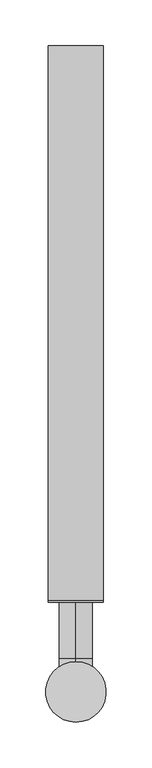
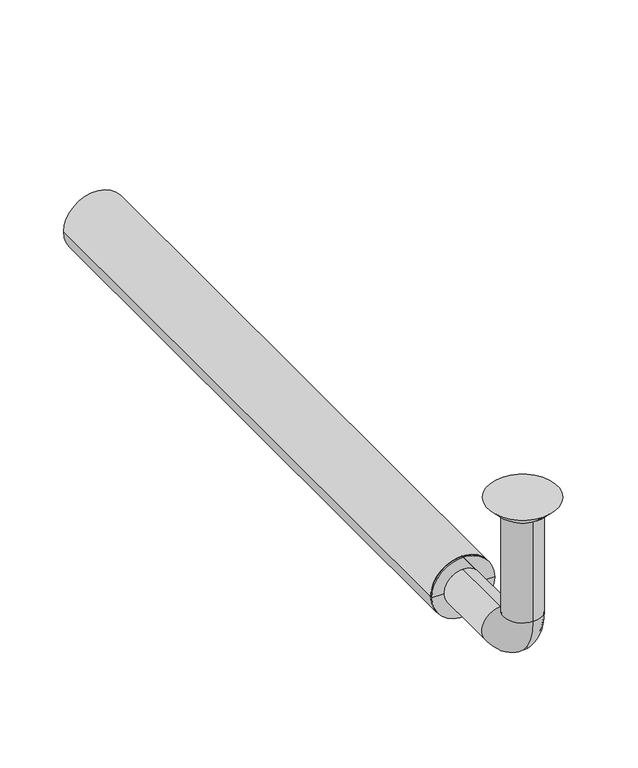
"""IFC4 building model written with IfcOpenShell, lengths in millimetres: beam geometry."""

import ifcopenshell
import ifcopenshell.guid

model = None  # the IFC model being written
_history = None  # IfcOwnerHistory: only IFC2X3 demands one
_inside = {}  # id of a spatial element -> (the spatial element, [elements in it])
_under = {}  # id of a project, library or spatial element -> (it, [spatial elements below it])
_declared = {}  # id of a project -> (the project, [libraries it declares])
_typed = {}  # id of a type object -> (the type object, [elements of that type])
_made_of = {}  # id of a material, layer set ... -> (it, [elements and type objects made of it])


def new_model(schema):
    """Start an empty IFC model of exactly this schema.

    Asked for "IFC4X3", IfcOpenShell would pick the latest addendum, in which some entities
    have other attributes; the version numbers below select the first issue.
    IFC2X3 requires an IfcOwnerHistory on every rooted entity: one is made here for all.
    """
    global model, _history
    if schema == "IFC4X3":
        model = ifcopenshell.file(schema_version=(4, 3, 0, 0))
    else:
        model = ifcopenshell.file(schema=schema)
    _inside.clear()
    _under.clear()
    _declared.clear()
    _typed.clear()
    _made_of.clear()
    _history = None
    if model.schema == "IFC2X3":
        org = make("IfcOrganization", Name="unknown")
        user = make(
            "IfcPersonAndOrganization",
            ThePerson=make("IfcPerson", FamilyName="unknown"),
            TheOrganization=org,
        )
        app = make(
            "IfcApplication",
            ApplicationDeveloper=org,
            Version="unknown",
            ApplicationFullName="unknown",
            ApplicationIdentifier="unknown",
        )
        _history = make(
            "IfcOwnerHistory",
            OwningUser=user,
            OwningApplication=app,
            ChangeAction="ADDED",
            CreationDate=0,
        )
    return model


def make(cls, **values):
    """One entity of the class cls with the attributes given. An attribute that is None is left unset."""
    return model.create_entity(
        cls, **{name: value for name, value in values.items() if value is not None}
    )


def rooted(cls, **values):
    """An entity with a GlobalId (a new one), such as an element, a storey or a relation."""
    return make(cls, GlobalId=ifcopenshell.guid.new(), OwnerHistory=_history, **values)


def si_unit(unit_type, name, prefix=None):
    """IfcSIUnit, for example si_unit("LENGTHUNIT", "METRE", prefix="MILLI")."""
    return make("IfcSIUnit", UnitType=unit_type, Prefix=prefix, Name=name)


def assignment(units):
    """IfcUnitAssignment: the units of a project."""
    return None if units is None else make("IfcUnitAssignment", Units=units)


def point(xyz):
    """IfcCartesianPoint."""
    return None if xyz is None else make("IfcCartesianPoint", Coordinates=xyz)


def direction(xyz):
    """IfcDirection."""
    return None if xyz is None else make("IfcDirection", DirectionRatios=xyz)


def frame(location, z_axis=None, x_axis=None):
    """IfcAxis2Placement3D, a coordinate frame: its origin and axes. An axis left out is left unset."""
    return make(
        "IfcAxis2Placement3D",
        Location=point(location),
        Axis=direction(z_axis),
        RefDirection=direction(x_axis),
    )


def frame_2d(location, x_axis=None):
    """IfcAxis2Placement2D, a coordinate frame in the plane: its origin and x axis."""
    return make(
        "IfcAxis2Placement2D", Location=point(location), RefDirection=direction(x_axis)
    )


def origin():
    """The frame at (0, 0, 0) with its axes left unset."""
    return frame((0.0, 0.0, 0.0))


def place(relative_to, where):
    """IfcLocalPlacement: puts the frame where relative to a parent placement (None: the world)."""
    return make(
        "IfcLocalPlacement", PlacementRelTo=relative_to, RelativePlacement=where
    )


def context(
    kind, dimensions, precision=None, world=None, true_north=None, identifier=None
):
    """IfcGeometricRepresentationContext, for example the 3D "Model" context."""
    return make(
        "IfcGeometricRepresentationContext",
        ContextIdentifier=identifier,
        ContextType=kind,
        CoordinateSpaceDimension=dimensions,
        Precision=precision,
        WorldCoordinateSystem=world,
        TrueNorth=true_north,
    )


def project(units=None, contexts=None):
    """IfcProject with its units and contexts."""
    return rooted(
        "IfcProject",
        Name="project",
        RepresentationContexts=contexts,
        UnitsInContext=assignment(units),
    )


def spatial(cls, under=None, at=None, **own):
    """A site, building, storey or space (cls), placed at a placement, below another one or the project."""
    s = rooted(cls, ObjectPlacement=at, **own)
    if under is not None:
        _under.setdefault(under.id(), (under, []))[1].append(s)
    return s


def polyline(points):
    """IfcPolyline through the points."""
    return make("IfcPolyline", Points=[point(p) for p in points])


def circle_curve(where, radius):
    """IfcCircle in the frame where."""
    return make("IfcCircle", Position=where, Radius=radius)


def ellipse_curve(where, semi_axis1, semi_axis2):
    """IfcEllipse in the frame where."""
    return make(
        "IfcEllipse", Position=where, SemiAxis1=semi_axis1, SemiAxis2=semi_axis2
    )


def trimmed(basis, trim1, trim2, sense, master):
    """IfcTrimmedCurve: the piece of a basis curve between two trims."""
    return make(
        "IfcTrimmedCurve",
        BasisCurve=basis,
        Trim1=trim1,
        Trim2=trim2,
        SenseAgreement=sense,
        MasterRepresentation=master,
    )


def segment(curve, same_sense, transition):
    """IfcCompositeCurveSegment."""
    return make(
        "IfcCompositeCurveSegment",
        Transition=transition,
        SameSense=same_sense,
        ParentCurve=curve,
    )


def composite_curve(segments, self_intersect=None):
    """IfcCompositeCurve: segments joined end to end."""
    return make("IfcCompositeCurve", Segments=segments, SelfIntersect=self_intersect)


def outline(outer, holes=None, kind="AREA"):
    """IfcArbitraryClosedProfileDef: a profile drawn as a closed curve; with holes, ...WithVoids."""
    if holes is None:
        return make("IfcArbitraryClosedProfileDef", ProfileType=kind, OuterCurve=outer)
    return make(
        "IfcArbitraryProfileDefWithVoids",
        ProfileType=kind,
        OuterCurve=outer,
        InnerCurves=holes,
    )


def extrude(swept, where, along, depth):
    """IfcExtrudedAreaSolid: the profile swept, set in the frame where, extruded along a direction by depth."""
    return make(
        "IfcExtrudedAreaSolid",
        SweptArea=swept,
        Position=where,
        ExtrudedDirection=direction(along),
        Depth=depth,
    )


def shape(context_of_items, identifier, shape_type, items):
    """IfcShapeRepresentation: the items that make up one representation, for example the "Body"."""
    return make(
        "IfcShapeRepresentation",
        ContextOfItems=context_of_items,
        RepresentationIdentifier=identifier,
        RepresentationType=shape_type,
        Items=items,
    )


def source(mapping_origin, context_of_items, identifier, shape_type, items):
    """IfcRepresentationMap: a shape defined once, which mapped items show again and again."""
    return make(
        "IfcRepresentationMap",
        MappingOrigin=mapping_origin,
        MappedRepresentation=shape(context_of_items, identifier, shape_type, items),
    )


def transform(
    local_origin,
    x_axis=None,
    y_axis=None,
    z_axis=None,
    scale=None,
    scale2=None,
    scale3=None,
    uniform=True,
):
    """IfcCartesianTransformationOperator3D, or its non-uniform kind. x_axis, y_axis, z_axis: its Axis1, 2, 3."""
    if uniform:
        return make(
            "IfcCartesianTransformationOperator3D",
            Axis1=direction(x_axis),
            Axis2=direction(y_axis),
            LocalOrigin=point(local_origin),
            Scale=scale,
            Axis3=direction(z_axis),
        )
    return make(
        "IfcCartesianTransformationOperator3DnonUniform",
        Axis1=direction(x_axis),
        Axis2=direction(y_axis),
        LocalOrigin=point(local_origin),
        Scale=scale,
        Axis3=direction(z_axis),
        Scale2=scale2,
        Scale3=scale3,
    )


def mapped(mapping_source, mapping_target):
    """IfcMappedItem: shows the shape of a source again, moved by a transform."""
    return make(
        "IfcMappedItem", MappingSource=mapping_source, MappingTarget=mapping_target
    )


def made_of(thing, what):
    """Note that an element or type object is made of a material, layer set ...; save() writes the relation."""
    if what is not None:
        _made_of.setdefault(what.id(), (what, []))[1].append(thing)
    return thing


def element(
    cls,
    number,
    at=None,
    inside=None,
    cuts=None,
    type_object=None,
    material=None,
    context=None,
    identifier="Body",
    shape_type=None,
    held_by="IfcProductDefinitionShape",
    body=None,
    shapes=None,
    **own,
):
    """One element of the class cls, such as IfcWall. Its Tag is "e" and its number.

    at: its placement. inside: the storey or other place that contains it. cuts: it is an
    opening in that element (IfcRelVoidsElement). A single representation is given by context,
    identifier, shape_type and body (its items); several are given by shapes. held_by: the class
    of the entity that holds the representations. save() writes the other relations.
    """
    e = rooted(cls, Tag="e%d" % number, ObjectPlacement=at, **own)
    if body is not None:
        shapes = [shape(context, identifier, shape_type, body)]
    if shapes is not None:
        e.Representation = make(held_by, Representations=shapes)
    if inside is not None:
        _inside.setdefault(inside.id(), (inside, []))[1].append(e)
    if cuts is not None:
        rooted(
            "IfcRelVoidsElement", RelatingBuildingElement=cuts, RelatedOpeningElement=e
        )
    if type_object is not None:
        _typed.setdefault(type_object.id(), (type_object, []))[1].append(e)
    return made_of(e, material)


def aggregate(whole, parts):
    """IfcRelAggregates: a whole, such as a stair, and the parts it consists of."""
    return rooted("IfcRelAggregates", RelatingObject=whole, RelatedObjects=parts)


def save(model, path):
    """Write the relations noted so far, then the file.

    IfcRelAggregates (storeys below a building ...), IfcRelContainedInSpatialStructure (elements
    in a storey), IfcRelDefinesByType, IfcRelAssociatesMaterial and IfcRelDeclares: one each for
    every whole, place, type object, material and project.
    """
    for whole, parts in _under.values():
        aggregate(whole, parts)
    for where, things in _inside.values():
        rooted(
            "IfcRelContainedInSpatialStructure",
            RelatedElements=things,
            RelatingStructure=where,
        )
    for kind, things in _typed.values():
        rooted("IfcRelDefinesByType", RelatedObjects=things, RelatingType=kind)
    for what, things in _made_of.values():
        rooted("IfcRelAssociatesMaterial", RelatedObjects=things, RelatingMaterial=what)
    for by, libraries in _declared.values():
        rooted("IfcRelDeclares", RelatingContext=by, RelatedDefinitions=libraries)
    model.write(path)


def plane_surface(at):
    """IfcPlane: the flat surface through the origin of the frame at, square to its z axis."""
    return make("IfcPlane", Position=at)


def cylinder_surface(at, radius):
    """IfcCylindricalSurface: all points at the distance radius from the z axis of the frame at."""
    return make("IfcCylindricalSurface", Position=at, Radius=radius)


def revolved_surface(curve, axis_point, axis_direction):
    """IfcSurfaceOfRevolution: the curve turned about the line through axis_point along axis_direction."""
    return make(
        "IfcSurfaceOfRevolution",
        SweptCurve=make("IfcArbitraryOpenProfileDef", ProfileType="CURVE", Curve=curve),
        AxisPosition=make("IfcAxis1Placement", Location=point(axis_point), Axis=direction(axis_direction)),
    )


def advanced_brep(points, edges, surfaces, faces):
    """IfcAdvancedBrep: a solid bounded by faces that lie on surfaces and meet in shared edges.

    An edge is (start, end): straight between two places in points (the first is 0);
    or (start, end, curve); or (start, end, curve, False) where it runs against its curve.
    A face is (place in surfaces, loops), or (place, loops, False) where it looks against
    its surface's normal. A loop lists edges by number (the first is 1), with a minus sign
    where the edge is run from its end to its start. The first loop is the outer one.
    """
    corners = [point(p) for p in points]
    vertices = [make("IfcVertexPoint", VertexGeometry=c) for c in corners]
    made = []
    for start, end, *more in edges:
        made.append(
            make(
                "IfcEdgeCurve",
                EdgeStart=vertices[start],
                EdgeEnd=vertices[end],
                EdgeGeometry=more[0] if more else make("IfcPolyline", Points=[corners[start], corners[end]]),
                SameSense=more[1] if len(more) > 1 else True,
            )
        )
    hull = []
    for where, loops, *sense in faces:
        bounds = []
        for j, loop in enumerate(loops):
            ring = [make("IfcOrientedEdge", EdgeElement=made[abs(k) - 1], Orientation=k > 0) for k in loop]
            bounds.append(
                make(
                    "IfcFaceOuterBound" if j == 0 else "IfcFaceBound",
                    Bound=make("IfcEdgeLoop", EdgeList=ring),
                    Orientation=True,
                )
            )
        hull.append(make("IfcAdvancedFace", Bounds=bounds, FaceSurface=surfaces[where], SameSense=sense[0] if sense else True))
    return make("IfcAdvancedBrep", Outer=make("IfcClosedShell", CfsFaces=hull))


def beam_4edfb75c(model_context):
    return source(origin(), model_context, "Body", "SolidModel", [
        extrude(outline(composite_curve([segment(trimmed(circle_curve(frame_2d((-150.0, 0.0)), 30.0), [point((-150.0, 30.0))], [point((-150.0, -30.0))], False, "CARTESIAN"), True, "CONTINUOUS"), segment(trimmed(circle_curve(frame_2d((-150.0, 0.0)), 30.0), [point((-150.0, -30.0))], [point((-150.0, 30.0))], False, "CARTESIAN"), True, "CONTINUOUS")], self_intersect=False), holes=[composite_curve([segment(trimmed(circle_curve(frame_2d((-150.0, 0.0)), 27.0), [point((-150.0, 27.0))], [point((-150.0, -27.0))], True, "CARTESIAN"), True, "CONTINUOUS"), segment(trimmed(circle_curve(frame_2d((-150.0, 0.0)), 27.0), [point((-150.0, -27.0))], [point((-150.0, 27.0))], True, "CARTESIAN"), True, "CONTINUOUS")], self_intersect=False)]), frame((0.0, 100.0, 0.0), z_axis=(0.0, 1.0, 0.0), x_axis=(0.0, 0.0, 1.0)), (0.0, 0.0, 1.0), 605.0),
        advanced_brep(
        [(0.0, -18.0, -10.0), (0.0, 18.0, -10.0), (0.0, -17.0, -10.0), (0.0, 17.0, -10.0), (0.0, -18.0, -114.0), (0.0, 18.0, -114.0), (0.0, -17.0, -114.0), (0.0, 17.0, -114.0), (0.0, 36.0, -132.0), (0.0, 36.0, -168.0), (0.0, 36.0, -133.0), (0.0, 36.0, -167.0), (0.0, 123.0, -168.0), (0.0, 123.0, -132.0), (0.0, 123.0, -167.0), (0.0, 123.0, -133.0)],
        [
            (0, 1, circle_curve(frame((0.0, 0.0, -10.0), z_axis=(0.0, 0.0, 1.0), x_axis=(0.0, 1.0, 0.0)), 18.0)),
            (1, 0, circle_curve(frame((0.0, 0.0, -10.0), z_axis=(0.0, 0.0, 1.0), x_axis=(0.0, 1.0, 0.0)), 18.0)),
            (2, 3, circle_curve(frame((0.0, 0.0, -10.0), z_axis=(0.0, 0.0, -1.0), x_axis=(0.0, 1.0, 0.0)), 17.0)),
            (3, 2, circle_curve(frame((0.0, 0.0, -10.0), z_axis=(0.0, 0.0, -1.0), x_axis=(0.0, 1.0, 0.0)), 17.0)),
            (0, 4),
            (4, 5, circle_curve(frame((0.0, 0.0, -114.0), z_axis=(0.0, 0.0, 1.0), x_axis=(0.0, 1.0, 0.0)), 18.0)),
            (5, 1),
            (5, 4, circle_curve(frame((0.0, 0.0, -114.0), z_axis=(0.0, 0.0, 1.0), x_axis=(0.0, 1.0, 0.0)), 18.0)),
            (2, 6),
            (6, 7, circle_curve(frame((0.0, 0.0, -114.0), z_axis=(0.0, 0.0, -1.0), x_axis=(0.0, 1.0, 0.0)), 17.0)),
            (7, 3),
            (7, 6, circle_curve(frame((0.0, 0.0, -114.0), z_axis=(0.0, 0.0, -1.0), x_axis=(0.0, 1.0, 0.0)), 17.0)),
            (8, 5, circle_curve(frame((0.0, 36.0, -114.0), z_axis=(-1.0, 0.0, 0.0), x_axis=(0.0, -1.0, 0.0)), 18.0)),
            (4, 9, circle_curve(frame((0.0, 36.0, -114.0), z_axis=(1.0, 0.0, 0.0), x_axis=(0.0, -1.0, 0.0)), 54.0)),
            (9, 8, circle_curve(frame((0.0, 36.0, -150.0), z_axis=(0.0, -1.0, 0.0), x_axis=(0.0, 0.0, 1.0)), 18.0)),
            (8, 9, circle_curve(frame((0.0, 36.0, -150.0), z_axis=(0.0, -1.0, 0.0), x_axis=(0.0, 0.0, 1.0)), 18.0)),
            (10, 7, circle_curve(frame((0.0, 36.0, -114.0), z_axis=(-1.0, 0.0, 0.0), x_axis=(0.0, -1.0, 0.0)), 19.0)),
            (6, 11, circle_curve(frame((0.0, 36.0, -114.0), z_axis=(1.0, 0.0, 0.0), x_axis=(0.0, -1.0, 0.0)), 53.0)),
            (11, 10, circle_curve(frame((0.0, 36.0, -150.0), z_axis=(0.0, 1.0, 0.0), x_axis=(0.0, 0.0, 1.0)), 17.0)),
            (10, 11, circle_curve(frame((0.0, 36.0, -150.0), z_axis=(0.0, 1.0, 0.0), x_axis=(0.0, 0.0, 1.0)), 17.0)),
            (12, 13, circle_curve(frame((0.0, 123.0, -150.0), z_axis=(0.0, 1.0, 0.0), x_axis=(0.0, 0.0, 1.0)), 18.0)),
            (13, 12, circle_curve(frame((0.0, 123.0, -150.0), z_axis=(0.0, 1.0, 0.0), x_axis=(0.0, 0.0, 1.0)), 18.0)),
            (14, 15, circle_curve(frame((0.0, 123.0, -150.0), z_axis=(0.0, -1.0, 0.0), x_axis=(0.0, 0.0, 1.0)), 17.0)),
            (15, 14, circle_curve(frame((0.0, 123.0, -150.0), z_axis=(0.0, -1.0, 0.0), x_axis=(0.0, 0.0, 1.0)), 17.0)),
            (9, 12),
            (13, 8),
            (11, 14),
            (15, 10),
        ],
        [
            plane_surface(frame((0.0, 0.0, -10.0), z_axis=(0.0, 0.0, 1.0), x_axis=(1.0, 0.0, 0.0))),
            cylinder_surface(frame((0.0, 0.0, -10.0), z_axis=(0.0, 0.0, 1.0), x_axis=(0.0, 1.0, 0.0)), 18.0),
            revolved_surface(polyline([(0.0, 17.0, -114.0), (0.0, 17.0, -10.0)]), (0.0, 0.0, -10.0), (0.0, 0.0, -1.0)),
            revolved_surface(trimmed(ellipse_curve(frame((0.0, 0.0, -114.0), z_axis=(0.0, 0.0, 1.0), x_axis=(0.0, 1.0, 0.0)), 18.0, 18.0), [point((0.0, -18.0, -114.0))], [point((0.0, 18.0, -114.0))], True, "CARTESIAN"), (0.0, 36.0, -114.0), (1.0, 0.0, 0.0)),
            revolved_surface(trimmed(ellipse_curve(frame((0.0, 0.0, -114.0), z_axis=(0.0, 0.0, 1.0), x_axis=(0.0, 1.0, 0.0)), 18.0, 18.0), [point((0.0, 18.0, -114.0))], [point((0.0, -18.0, -114.0))], True, "CARTESIAN"), (0.0, 36.0, -114.0), (1.0, 0.0, 0.0)),
            revolved_surface(trimmed(ellipse_curve(frame((0.0, 0.0, -114.0), z_axis=(0.0, 0.0, -1.0), x_axis=(0.0, 1.0, 0.0)), 17.0, 17.0), [point((0.0, -17.0, -114.0))], [point((0.0, 17.0, -114.0))], True, "CARTESIAN"), (0.0, 36.0, -114.0), (1.0, 0.0, 0.0)),
            revolved_surface(trimmed(ellipse_curve(frame((0.0, 0.0, -114.0), z_axis=(0.0, 0.0, -1.0), x_axis=(0.0, 1.0, 0.0)), 17.0, 17.0), [point((0.0, 17.0, -114.0))], [point((0.0, -17.0, -114.0))], True, "CARTESIAN"), (0.0, 36.0, -114.0), (1.0, 0.0, 0.0)),
            plane_surface(frame((0.0, 123.0, -150.0), z_axis=(0.0, 1.0, 0.0), x_axis=(1.0, 0.0, 0.0))),
            cylinder_surface(frame((0.0, 36.0, -150.0), z_axis=(0.0, -1.0, 0.0), x_axis=(0.0, 0.0, 1.0)), 18.0),
            revolved_surface(polyline([(0.0, 123.0, -133.0), (0.0, 36.0, -133.0)]), (0.0, 36.0, -150.0), (0.0, 1.0, 0.0)),
        ],
        [
            (0, [[1, 2], [3, 4]]),
            (1, [[-1, 5, 6, 7]]),
            (1, [[-2, -7, 8, -5]]),
            (2, [[-3, 9, 10, 11]]),
            (2, [[-4, -11, 12, -9]]),
            (3, [[13, -6, 14, 15]]),
            (4, [[-14, -8, -13, 16]]),
            (5, [[17, -10, 18, 19]]),
            (6, [[-18, -12, -17, 20]]),
            (7, [[21, 22], [23, 24]]),
            (8, [[-15, 25, -22, 26]]),
            (8, [[-16, -26, -21, -25]]),
            (9, [[-19, 27, -24, 28]]),
            (9, [[-20, -28, -23, -27]]),
        ],
    ),
        advanced_brep(
        [(0.0, 23.0, -10.0), (0.0, -23.0, -10.0), (0.0, 33.0, 0.0), (0.0, -33.0, 0.0)],
        [
            (0, 1, circle_curve(frame((0.0, 0.0, -10.0), z_axis=(0.0, 0.0, -1.0), x_axis=(0.0, 1.0, 0.0)), 23.0)),
            (1, 0, circle_curve(frame((0.0, 0.0, -10.0), z_axis=(0.0, 0.0, -1.0), x_axis=(0.0, -1.0, 0.0)), 23.0)),
            (2, 3, circle_curve(frame((0.0, 0.0, 0.0), z_axis=(0.0, 0.0, 1.0), x_axis=(0.0, -1.0, 0.0)), 33.0)),
            (3, 2, circle_curve(frame((0.0, 0.0, 0.0), z_axis=(0.0, 0.0, 1.0), x_axis=(0.0, 1.0, 0.0)), 33.0)),
            (3, 1),
            (0, 2),
        ],
        [
            plane_surface(frame((0.0, 0.0, -10.0), z_axis=(0.0, 0.0, -1.0), x_axis=(-1.0, 0.0, 0.0))),
            plane_surface(frame((0.0, 0.0, 0.0), z_axis=(0.0, 0.0, 1.0), x_axis=(-1.0, 0.0, 0.0))),
            revolved_surface(polyline([(0.0, 23.0, -10.0), (0.0, 33.0, 0.0)]), (0.0, 0.0, -33.0), (0.0, 0.0, 1.0)),
            revolved_surface(polyline([(0.0, -23.0, -10.0), (0.0, -33.0, 0.0)]), (0.0, 0.0, -33.0), (0.0, 0.0, 1.0)),
        ],
        [
            (0, [[1, 2]]),
            (1, [[3, 4]]),
            (2, [[-4, 5, -1, 6]]),
            (3, [[-3, -6, -2, -5]]),
        ],
    ),
        advanced_brep(
        [(27.0, 100.0, -150.0), (-27.0, 100.0, -150.0), (-27.0, 123.0, -150.0), (27.0, 123.0, -150.0), (-18.0, 123.0, -150.0), (18.0, 123.0, -150.0), (-18.0, 98.0, -150.0), (18.0, 98.0, -150.0), (-30.0, 98.0, -150.0), (30.0, 98.0, -150.0), (-30.0, 100.0, -150.0), (30.0, 100.0, -150.0)],
        [
            (0, 1, circle_curve(frame((0.0, 100.0, -150.0), z_axis=(0.0, 1.0, 0.0), x_axis=(-1.0, 0.0, 0.0)), 27.0)),
            (1, 2),
            (2, 3, circle_curve(frame((0.0, 123.0, -150.0), z_axis=(0.0, -1.0, 0.0), x_axis=(-1.0, 0.0, 0.0)), 27.0)),
            (3, 0),
            (1, 0, circle_curve(frame((0.0, 100.0, -150.0), z_axis=(0.0, 1.0, 0.0), x_axis=(-1.0, 0.0, 0.0)), 27.0)),
            (3, 2, circle_curve(frame((0.0, 123.0, -150.0), z_axis=(0.0, -1.0, 0.0), x_axis=(-1.0, 0.0, 0.0)), 27.0)),
            (2, 4),
            (4, 5, circle_curve(frame((0.0, 123.0, -150.0), z_axis=(0.0, -1.0, 0.0), x_axis=(-1.0, 0.0, 0.0)), 18.0)),
            (5, 3),
            (5, 4, circle_curve(frame((0.0, 123.0, -150.0), z_axis=(0.0, -1.0, 0.0), x_axis=(-1.0, 0.0, 0.0)), 18.0)),
            (4, 6),
            (6, 7, circle_curve(frame((0.0, 98.0, -150.0), z_axis=(0.0, -1.0, 0.0), x_axis=(-1.0, 0.0, 0.0)), 18.0)),
            (7, 5),
            (7, 6, circle_curve(frame((0.0, 98.0, -150.0), z_axis=(0.0, -1.0, 0.0), x_axis=(-1.0, 0.0, 0.0)), 18.0)),
            (6, 8),
            (8, 9, circle_curve(frame((0.0, 98.0, -150.0), z_axis=(0.0, -1.0, 0.0), x_axis=(-1.0, 0.0, 0.0)), 30.0)),
            (9, 7),
            (9, 8, circle_curve(frame((0.0, 98.0, -150.0), z_axis=(0.0, -1.0, 0.0), x_axis=(-1.0, 0.0, 0.0)), 30.0)),
            (8, 10),
            (10, 11, circle_curve(frame((0.0, 100.0, -150.0), z_axis=(0.0, -1.0, 0.0), x_axis=(-1.0, 0.0, 0.0)), 30.0)),
            (11, 9),
            (11, 10, circle_curve(frame((0.0, 100.0, -150.0), z_axis=(0.0, -1.0, 0.0), x_axis=(-1.0, 0.0, 0.0)), 30.0)),
            (10, 1),
            (0, 11),
        ],
        [
            cylinder_surface(frame((0.0, 98.0, -150.0), z_axis=(0.0, -1.0, 0.0), x_axis=(-1.0, 0.0, 0.0)), 27.0),
            plane_surface(frame((0.0, 123.0, -150.0), z_axis=(0.0, 1.0, 0.0), x_axis=(-1.0, 0.0, 0.0))),
            revolved_surface(polyline([(-18.0, 98.0, -150.0), (-18.0, 123.0, -150.0)]), (0.0, 98.0, -150.0), (0.0, -1.0, 0.0)),
            plane_surface(frame((0.0, 98.0, -150.0), z_axis=(0.0, -1.0, 0.0), x_axis=(-1.0, 0.0, 0.0))),
            cylinder_surface(frame((0.0, 98.0, -150.0), z_axis=(0.0, -1.0, 0.0), x_axis=(-1.0, 0.0, 0.0)), 30.0),
            plane_surface(frame((0.0, 100.0, -150.0), z_axis=(0.0, 1.0, 0.0), x_axis=(-1.0, 0.0, 0.0))),
        ],
        [
            (0, [[1, 2, 3, 4]]),
            (0, [[5, -4, 6, -2]]),
            (1, [[-3, 7, 8, 9]]),
            (1, [[-6, -9, 10, -7]]),
            (2, [[-8, 11, 12, 13]]),
            (2, [[-10, -13, 14, -11]]),
            (3, [[-12, 15, 16, 17]]),
            (3, [[-14, -17, 18, -15]]),
            (4, [[-16, 19, 20, 21]]),
            (4, [[-18, -21, 22, -19]]),
            (5, [[-20, 23, -1, 24]]),
            (5, [[-22, -24, -5, -23]]),
        ],
    ),
    ])


if __name__ == "__main__":
    model = new_model("IFC4")
    model_context = context("Model", 3, world=origin())
    ifc_project = project(units=[si_unit("LENGTHUNIT", "METRE", prefix="MILLI")], contexts=[model_context])
    site = spatial("IfcSite", under=ifc_project)
    building = spatial("IfcBuilding", under=site)
    placement = place(None, origin())
    beam_shape = beam_4edfb75c(model_context)
    element("IfcBeam", 1, at=placement, inside=building, context=model_context, shape_type="MappedRepresentation", body=[
        mapped(beam_shape, transform((0.0, 0.0, 0.0), x_axis=(1.0, 0.0, 0.0), y_axis=(0.0, 1.0, 0.0), z_axis=(0.0, 0.0, 1.0))),
    ])
    save(model, "model.ifc")
